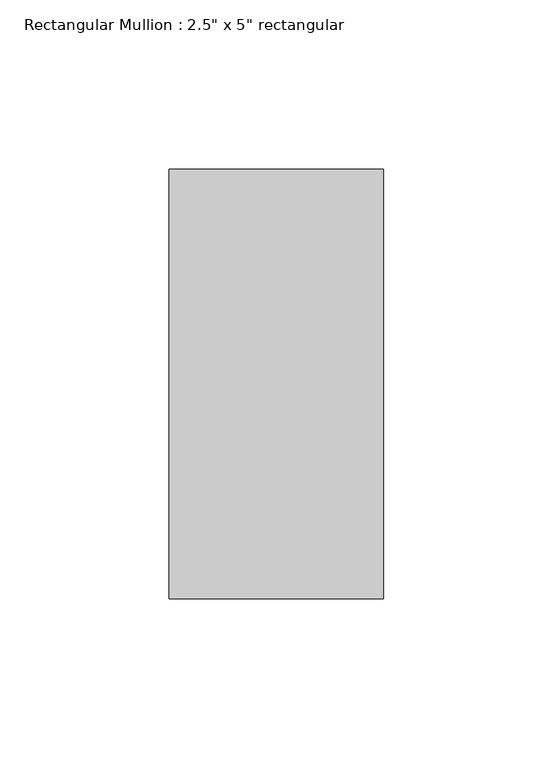
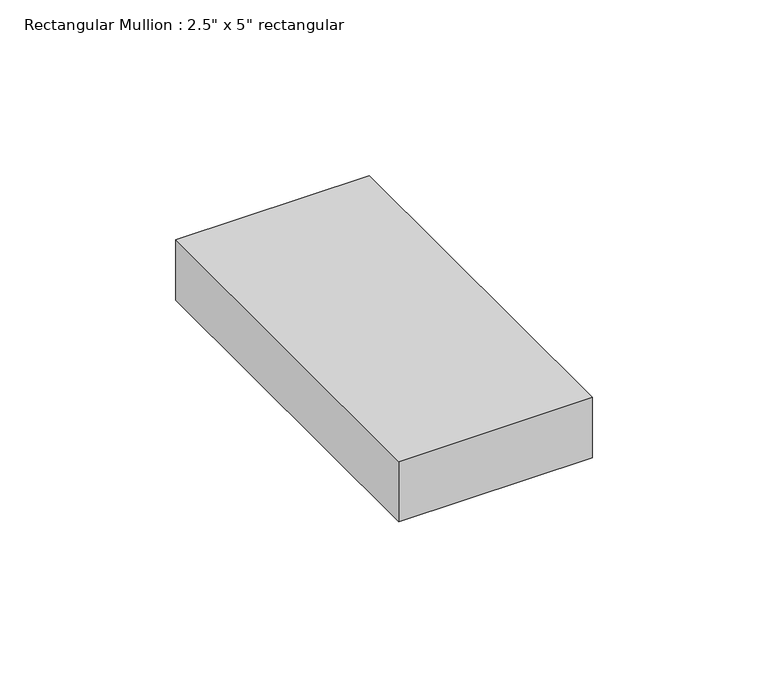
"""IFC4 building model written with IfcOpenShell, lengths in millimetres: member geometry."""

from ifc_helpers import new_model, si_unit, frame, origin, place, context, project, spatial, polyline, outline, extrude, source, transform, mapped, element, save


def member_56a2753b(model_context):
    return source(origin(), model_context, "Body", "SweptSolid", [
        extrude(outline(polyline([(0.0, 63.5), (0.0, -63.5), (-63.5, -63.5), (-63.5, 63.5), (0.0, 63.5)])), frame((0.0, 0.0, -20.9470909), z_axis=(0.0, 0.0, 1.0), x_axis=(1.0, 0.0, 0.0)), (0.0, 0.0, 1.0), 20.9470909),
    ])


if __name__ == "__main__":
    model = new_model("IFC4")
    model_context = context("Model", 3, world=origin())
    ifc_project = project(units=[si_unit("LENGTHUNIT", "METRE", prefix="MILLI")], contexts=[model_context])
    site = spatial("IfcSite", under=ifc_project)
    building = spatial("IfcBuilding", under=site)
    placement = place(None, origin())
    member_shape = member_56a2753b(model_context)
    element("IfcMember", 1, ObjectType="Rectangular Mullion : 2.5\" x 5\" rectangular", at=placement, inside=building, context=model_context, shape_type="MappedRepresentation", body=[
        mapped(member_shape, transform((0.0, 0.0, 0.0), x_axis=(1.0, 0.0, 0.0), y_axis=(0.0, 1.0, 0.0), z_axis=(0.0, 0.0, 1.0))),
    ])
    save(model, "model.ifc")
